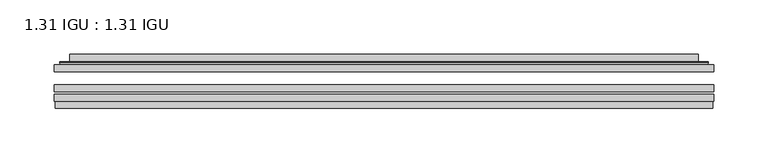
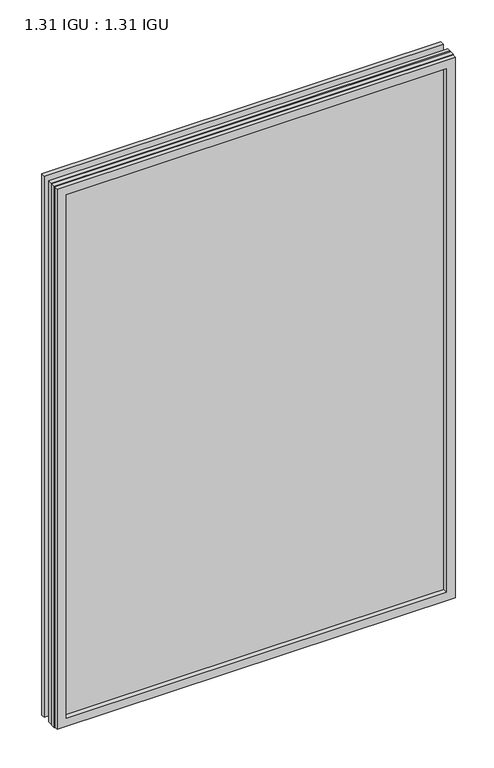
"""IFC4 building model written with IfcOpenShell, lengths in millimetres: plate geometry, 1.31 IGU : 1.31 IGU."""

from ifc_helpers import new_model, si_unit, frame, origin, place, context, project, spatial, polyline, ellipse_curve, outline, extrude, faceted_brep, source, transform, mapped, element, save
from ifc_brep_helpers import plane_surface, cylinder_surface, advanced_brep


def plate_1_31_igu_1_31_igu_c5fbea26(model_context):
    return source(origin(), model_context, "Body", "SolidModel", [
        extrude(outline(polyline([(303.2298663, -63.59525), (303.2298663, -69.94525), (-303.2156913, -69.94525), (-303.2156913, -63.59525), (303.2298663, -63.59525)])), frame((0.0, 0.0, -14.2875), z_axis=(0.0, 0.0, 1.0), x_axis=(1.0, 0.0, 0.0)), (0.0, 0.0, 1.0), 869.9537979),
        extrude(outline(polyline([(-303.2156913, -78.58125), (-303.2156913, -72.230745), (303.2298663, -72.230745), (303.2298663, -78.58125), (-303.2156913, -78.58125)])), frame((0.0, 0.0, -14.2875), z_axis=(0.0, 0.0, 1.0), x_axis=(1.0, 0.0, 0.0)), (0.0, 0.0, 1.0), 869.9537979),
        extrude(outline(polyline([(303.2298663, -45.25645), (303.2298663, -51.60645), (-303.2156913, -51.60645), (-303.2156913, -45.25645), (303.2298663, -45.25645)])), frame((0.0, 0.0, -14.2875), z_axis=(0.0, 0.0, 1.0), x_axis=(1.0, 0.0, 0.0)), (0.0, 0.0, 1.0), 869.9537979),
        faceted_brep([(-302.5155055, -84.93125, 854.9623142), (-302.5155055, -78.58125, 854.9623142), (-302.5155055, -78.58125, -13.5873142), (-302.5155055, -84.93125, -13.5873142), (302.5155055, -78.58125, -13.5873142), (302.5155055, -84.93125, -13.5873142), (302.5155055, -78.58125, 854.9623142), (302.5155055, -84.93125, 854.9623142), (-288.0304472, -78.58125, 0.8977441), (288.0304472, -78.58125, 0.8977441), (288.0304472, -78.58125, 840.4772559), (-288.0304472, -78.58125, 840.4772559), (-288.9228815, -84.93125, 841.3696902), (288.9228815, -84.93125, 841.3696902), (288.9228815, -84.93125, 0.0053098), (-288.9228815, -84.93125, 0.0053098)], [[[0, 1, 2, 3]], [[3, 2, 4, 5]], [[5, 4, 6, 7]], [[1, 6, 4, 2], [8, 9, 10, 11]], [[7, 6, 1, 0]], [[3, 5, 7, 0], [12, 13, 14, 15]], [[11, 12, 15, 8]], [[8, 15, 14, 9]], [[9, 14, 13, 10]], [[10, 13, 12, 11]]]),
        advanced_brep(
        [(-295.9744103, -45.25645, 848.4212191), (-298.3286157, -43.2667833, 850.7754244), (-298.3286157, -43.2667833, -9.4004244), (-295.9744103, -45.25645, -7.046219), (-286.9000852, -41.416413, 839.3468939), (-281.9652534, -45.25645, 834.4120621), (-281.9652534, -45.25645, 6.9629379), (-286.9000852, -41.416413, 2.0281061), (-287.932113, -36.0191819, 840.3789217), (-287.932113, -36.0191819, 0.9960783), (-288.9227697, -35.6202069, 841.3695784), (-288.9227697, -35.6202069, 0.0054216), (-288.9227697, -42.08145, 841.3695784), (-288.9227697, -42.08145, 0.0054216), (-297.3268262, -42.08145, 849.7736349), (-297.3268262, -42.08145, -8.3986349), (298.3286157, -43.2667833, -9.4004244), (295.9744103, -45.25645, -7.046219), (281.9652534, -45.25645, 6.9629379), (286.9000852, -41.416413, 2.0281061), (287.932113, -36.0191819, 0.9960783), (288.9227697, -35.6202069, 0.0054216), (288.9227697, -42.08145, 0.0054216), (297.3268262, -42.08145, -8.3986349), (298.3286157, -43.2667833, 850.7754244), (295.9744103, -45.25645, 848.4212191), (281.9652534, -45.25645, 834.4120621), (286.9000852, -41.416413, 839.3468939), (287.932113, -36.0191819, 840.3789217), (288.9227697, -35.6202069, 841.3695784), (288.9227697, -42.08145, 841.3695784), (297.3268262, -42.08145, 849.7736349)],
        [
            (0, 1, ellipse_curve(frame((-295.9744103, -42.86885, 848.4212191), z_axis=(-0.7071067811865475, 0.0, -0.7071067811865475), x_axis=(-0.7071067811865474, 0.0, 0.7071067811865476)), 3.3765763, 2.3876)),
            (1, 2),
            (2, 3, ellipse_curve(frame((-295.9744103, -42.86885, -7.046219), z_axis=(-0.7071067811865475, 0.0, 0.7071067811865475), x_axis=(0.7071067811865474, 0.0, 0.7071067811865476)), 3.3765763, 2.3876)),
            (3, 0),
            (4, 5),
            (5, 6),
            (6, 7),
            (7, 4),
            (8, 4),
            (7, 9),
            (9, 8),
            (10, 8, ellipse_curve(frame((-288.5558132, -36.1384423, 841.0026219), z_axis=(-0.7071067811865475, 0.0, -0.7071067811865475), x_axis=(-0.7071067811865474, 0.0, 0.7071067811865476)), 0.8980256, 0.635)),
            (9, 11, ellipse_curve(frame((-288.5558132, -36.1384423, 0.3723781), z_axis=(-0.7071067811865475, 0.0, 0.7071067811865475), x_axis=(0.7071067811865474, 0.0, 0.7071067811865476)), 0.8980256, 0.635)),
            (11, 10),
            (12, 10),
            (11, 13),
            (13, 12),
            (1, 14, ellipse_curve(frame((-297.3268262, -43.09745, 849.7736349), z_axis=(-0.7071067811865475, 0.0, -0.7071067811865475), x_axis=(-0.7071067811865474, 0.0, 0.7071067811865476)), 1.436841, 1.016)),
            (14, 15),
            (15, 2, ellipse_curve(frame((-297.3268262, -43.09745, -8.3986349), z_axis=(-0.7071067811865475, 0.0, 0.7071067811865475), x_axis=(0.7071067811865474, 0.0, 0.7071067811865476)), 1.436841, 1.016)),
            (2, 16),
            (16, 17, ellipse_curve(frame((295.9744103, -42.86885, -7.046219), z_axis=(-0.7071067811865475, 0.0, -0.7071067811865475), x_axis=(-0.7071067811865476, 0.0, 0.7071067811865474)), 3.3765763, 2.3876)),
            (17, 3),
            (6, 18),
            (18, 19),
            (19, 7),
            (19, 20),
            (20, 9),
            (20, 21, ellipse_curve(frame((288.5558132, -36.1384423, 0.3723781), z_axis=(-0.7071067811865475, 0.0, -0.7071067811865475), x_axis=(-0.7071067811865476, 0.0, 0.7071067811865474)), 0.8980256, 0.635)),
            (21, 11),
            (21, 22),
            (22, 13),
            (15, 23),
            (23, 16, ellipse_curve(frame((297.3268262, -43.09745, -8.3986349), z_axis=(-0.7071067811865475, 0.0, -0.7071067811865475), x_axis=(-0.7071067811865476, 0.0, 0.7071067811865474)), 1.436841, 1.016)),
            (16, 24),
            (24, 25, ellipse_curve(frame((295.9744103, -42.86885, 848.4212191), z_axis=(0.7071067811865475, 0.0, -0.7071067811865475), x_axis=(-0.7071067811865474, 0.0, -0.7071067811865476)), 3.3765763, 2.3876)),
            (25, 17),
            (18, 26),
            (26, 27),
            (27, 19),
            (27, 28),
            (28, 20),
            (28, 29, ellipse_curve(frame((288.5558132, -36.1384423, 841.0026219), z_axis=(0.7071067811865475, 0.0, -0.7071067811865475), x_axis=(-0.7071067811865474, 0.0, -0.7071067811865476)), 0.8980256, 0.635)),
            (29, 21),
            (29, 30),
            (30, 22),
            (23, 31),
            (31, 24, ellipse_curve(frame((297.3268262, -43.09745, 849.7736349), z_axis=(0.7071067811865475, 0.0, -0.7071067811865475), x_axis=(-0.7071067811865474, 0.0, -0.7071067811865476)), 1.436841, 1.016)),
            (24, 1),
            (0, 25),
            (5, 26),
            (4, 27),
            (8, 28),
            (10, 29),
            (12, 30),
            (14, 31),
        ],
        [
            cylinder_surface(frame((-295.9744103, -42.86885, 873.125), z_axis=(0.0, 0.0, 1.0), x_axis=(-1.0, 0.0, 0.0)), 2.3876),
            plane_surface(frame((-281.9652534, -45.25645, 834.4120621), z_axis=(0.6141233906514794, 0.7892100234124821, 0.0), x_axis=(0.0, 0.0, -1.0))),
            plane_surface(frame((-286.9000852, -41.416413, 839.3468939), z_axis=(0.9822050625507729, 0.18781164793386076, 0.0), x_axis=(0.0, 0.0, -1.0))),
            cylinder_surface(frame((-288.5558132, -36.1384423, 873.125), z_axis=(0.0, 0.0, 1.0), x_axis=(-1.0, 0.0, 0.0)), 0.635),
            plane_surface(frame((-288.9227697, -35.6202069, 841.3695784), z_axis=(-1.0, 0.0, 0.0), x_axis=(0.0, 0.0, -1.0))),
            cylinder_surface(frame((-297.3268262, -43.09745, 873.125), z_axis=(0.0, 0.0, 1.0), x_axis=(-1.0, 0.0, 0.0)), 1.016),
            cylinder_surface(frame((-320.6781913, -42.86885, -7.046219), z_axis=(-1.0, 0.0, 0.0), x_axis=(0.0, 0.0, -1.0)), 2.3876),
            plane_surface(frame((-281.9652534, -45.25645, 6.9629379), z_axis=(0.0, 0.7892100234124841, 0.6141233906514768), x_axis=(1.0, 0.0, 0.0))),
            plane_surface(frame((-286.9000852, -41.416413, 2.0281061), z_axis=(0.0, 0.18781164793386393, 0.9822050625507723), x_axis=(1.0, 0.0, 0.0))),
            cylinder_surface(frame((-320.6781913, -36.1384423, 0.3723781), z_axis=(-1.0, 0.0, 0.0), x_axis=(0.0, 0.0, -1.0)), 0.635),
            plane_surface(frame((-288.9227697, -35.6202069, 0.0054216), z_axis=(0.0, 0.0, -1.0), x_axis=(1.0, 0.0, 0.0))),
            cylinder_surface(frame((-320.6781913, -43.09745, -8.3986349), z_axis=(-1.0, 0.0, 0.0), x_axis=(0.0, 0.0, -1.0)), 1.016),
            cylinder_surface(frame((295.9744103, -42.86885, -31.75), z_axis=(0.0, 0.0, -1.0), x_axis=(1.0, 0.0, 0.0)), 2.3876),
            plane_surface(frame((281.9652534, -45.25645, 6.9629379), z_axis=(-0.6141233906514743, 0.7892100234124861, 0.0), x_axis=(0.0, 0.0, 1.0))),
            plane_surface(frame((286.9000852, -41.416413, 2.0281061), z_axis=(-0.9822050625507718, 0.1878116479338671, 0.0), x_axis=(0.0, 0.0, 1.0))),
            cylinder_surface(frame((288.5558132, -36.1384423, -31.75), z_axis=(0.0, 0.0, -1.0), x_axis=(1.0, 0.0, 0.0)), 0.635),
            plane_surface(frame((288.9227697, -35.6202069, 0.0054216), z_axis=(1.0, 0.0, 0.0), x_axis=(0.0, 0.0, 1.0))),
            cylinder_surface(frame((297.3268262, -43.09745, -31.75), z_axis=(0.0, 0.0, -1.0), x_axis=(1.0, 0.0, 0.0)), 1.016),
            cylinder_surface(frame((320.6781913, -42.86885, 848.4212191), z_axis=(1.0, 0.0, 0.0), x_axis=(0.0, 0.0, 1.0)), 2.3876),
            plane_surface(frame((295.9744103, -45.25645, 848.4212191), z_axis=(0.0, -1.0, 0.0), x_axis=(-1.0, 0.0, 0.0))),
            plane_surface(frame((281.9652534, -45.25645, 834.4120621), z_axis=(0.0, 0.7892100234124841, -0.6141233906514768), x_axis=(-1.0, 0.0, 0.0))),
            plane_surface(frame((286.9000852, -41.416413, 839.3468939), z_axis=(0.0, 0.18781164793386393, -0.9822050625507723), x_axis=(-1.0, 0.0, 0.0))),
            cylinder_surface(frame((320.6781913, -36.1384423, 841.0026219), z_axis=(1.0, 0.0, 0.0), x_axis=(0.0, 0.0, 1.0)), 0.635),
            plane_surface(frame((288.9227697, -35.6202069, 841.3695784), z_axis=(0.0, 0.0, 1.0), x_axis=(-1.0, 0.0, 0.0))),
            plane_surface(frame((288.9227697, -42.08145, 841.3695784), z_axis=(0.0, 1.0, 0.0), x_axis=(-1.0, 0.0, 0.0))),
            cylinder_surface(frame((320.6781913, -43.09745, 849.7736349), z_axis=(1.0, 0.0, 0.0), x_axis=(0.0, 0.0, 1.0)), 1.016),
        ],
        [
            (0, [[1, 2, 3, 4]]),
            (1, [[5, 6, 7, 8]]),
            (2, [[9, -8, 10, 11]]),
            (3, [[12, -11, 13, 14]]),
            (4, [[15, -14, 16, 17]]),
            (5, [[18, 19, 20, -2]]),
            (6, [[-3, 21, 22, 23]]),
            (7, [[-7, 24, 25, 26]]),
            (8, [[-10, -26, 27, 28]]),
            (9, [[-13, -28, 29, 30]]),
            (10, [[-16, -30, 31, 32]]),
            (11, [[-20, 33, 34, -21]]),
            (12, [[-22, 35, 36, 37]]),
            (13, [[-25, 38, 39, 40]]),
            (14, [[-27, -40, 41, 42]]),
            (15, [[-29, -42, 43, 44]]),
            (16, [[-31, -44, 45, 46]]),
            (17, [[-34, 47, 48, -35]]),
            (18, [[-36, 49, -1, 50]]),
            (19, [[-23, -37, -50, -4], [51, -38, -24, -6]]),
            (20, [[-39, -51, -5, 52]]),
            (21, [[-41, -52, -9, 53]]),
            (22, [[-43, -53, -12, 54]]),
            (23, [[-45, -54, -15, 55]]),
            (24, [[56, -47, -33, -19], [-32, -46, -55, -17]]),
            (25, [[-48, -56, -18, -49]]),
        ],
    ),
    ])


if __name__ == "__main__":
    model = new_model("IFC4")
    model_context = context("Model", 3, world=origin())
    ifc_project = project(units=[si_unit("LENGTHUNIT", "METRE", prefix="MILLI")], contexts=[model_context])
    site = spatial("IfcSite", under=ifc_project)
    building = spatial("IfcBuilding", under=site)
    placement = place(None, origin())
    plate_1_31_igu_1_31_igu_shape = plate_1_31_igu_1_31_igu_c5fbea26(model_context)
    element("IfcPlate", 1, ObjectType="1.31 IGU : 1.31 IGU", at=placement, inside=building, context=model_context, shape_type="MappedRepresentation", body=[
        mapped(plate_1_31_igu_1_31_igu_shape, transform((0.0, 0.0, 0.0), x_axis=(1.0, 0.0, 0.0), y_axis=(0.0, 1.0, 0.0), z_axis=(0.0, 0.0, 1.0))),
    ])
    save(model, "model.ifc")
